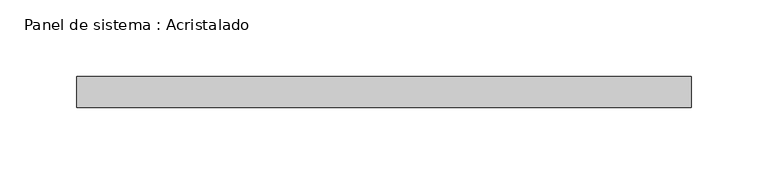
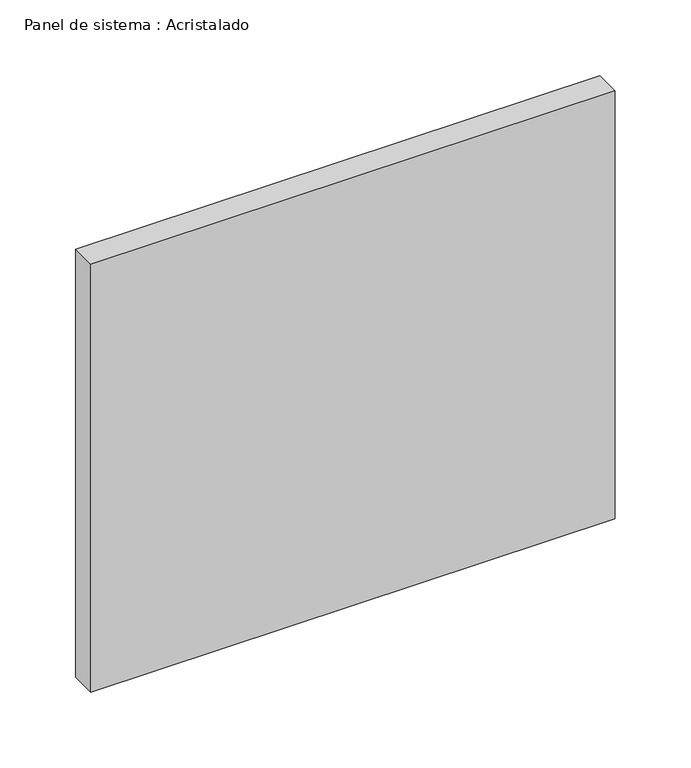
"""IFC4 building model written with IfcOpenShell, lengths in millimetres: plate geometry, Panel de sistema : Acristalado."""

from ifc_helpers import new_model, si_unit, origin, origin_with_axes, place, context, project, spatial, polyline, outline, extrude, source, transform, mapped, element, save


def panel_de_sistema_acristalado_4008c753(model_context):
    return source(origin(), model_context, "Body", "SweptSolid", [
        extrude(outline(polyline([(200.0, -10.0), (-200.0, -10.0), (-200.0, 10.0), (200.0, 10.0), (200.0, -10.0)])), origin_with_axes(), (0.0, 0.0, 1.0), 345.0),
    ])


if __name__ == "__main__":
    model = new_model("IFC4")
    model_context = context("Model", 3, world=origin())
    ifc_project = project(units=[si_unit("LENGTHUNIT", "METRE", prefix="MILLI")], contexts=[model_context])
    site = spatial("IfcSite", under=ifc_project)
    building = spatial("IfcBuilding", under=site)
    placement = place(None, origin())
    panel_de_sistema_acristalado_shape = panel_de_sistema_acristalado_4008c753(model_context)
    element("IfcPlate", 1, ObjectType="Panel de sistema : Acristalado", at=placement, inside=building, context=model_context, shape_type="MappedRepresentation", body=[
        mapped(panel_de_sistema_acristalado_shape, transform((0.0, 0.0, 0.0), x_axis=(1.0, 0.0, 0.0), y_axis=(0.0, 1.0, 0.0), z_axis=(0.0, 0.0, 1.0))),
    ])
    save(model, "model.ifc")
